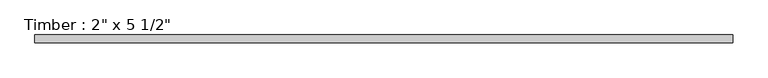
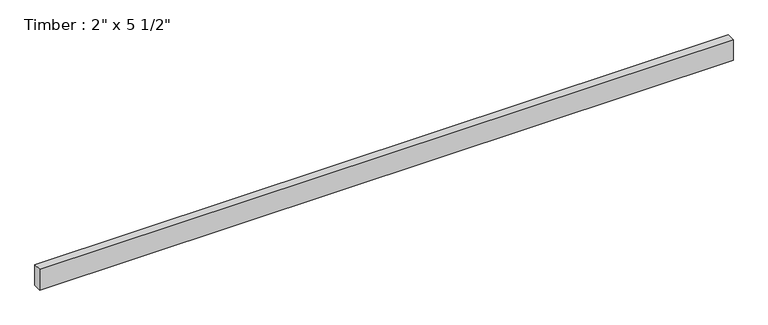
"""IFC4 building model written with IfcOpenShell, lengths in millimetres: beam geometry."""

from ifc_helpers import new_model, si_unit, frame, origin, place, context, project, spatial, polyline, outline, extrude, source, transform, mapped, element, save


def beam_a963329a(model_context):
    return source(origin(), model_context, "Body", "SweptSolid", [
        extrude(outline(polyline([(2239.5547586, 25.4), (2239.5547586, -25.4), (-2152.701381, -25.4), (-2152.701381, 25.4), (2239.5547586, 25.4)])), frame((0.0, 0.0, -69.85), z_axis=(0.0, 0.0, 1.0), x_axis=(1.0, 0.0, 0.0)), (0.0, 0.0, 1.0), 139.7),
    ])


if __name__ == "__main__":
    model = new_model("IFC4")
    model_context = context("Model", 3, world=origin())
    ifc_project = project(units=[si_unit("LENGTHUNIT", "METRE", prefix="MILLI")], contexts=[model_context])
    site = spatial("IfcSite", under=ifc_project)
    building = spatial("IfcBuilding", under=site)
    placement = place(None, origin())
    beam_shape = beam_a963329a(model_context)
    element("IfcBeam", 1, ObjectType="Timber : 2\" x 5 1/2\"", at=placement, inside=building, context=model_context, shape_type="MappedRepresentation", body=[
        mapped(beam_shape, transform((0.0, 0.0, 0.0), x_axis=(1.0, 0.0, 0.0), y_axis=(0.0, 1.0, 0.0), z_axis=(0.0, 0.0, 1.0))),
    ])
    save(model, "model.ifc")
